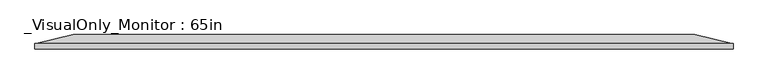
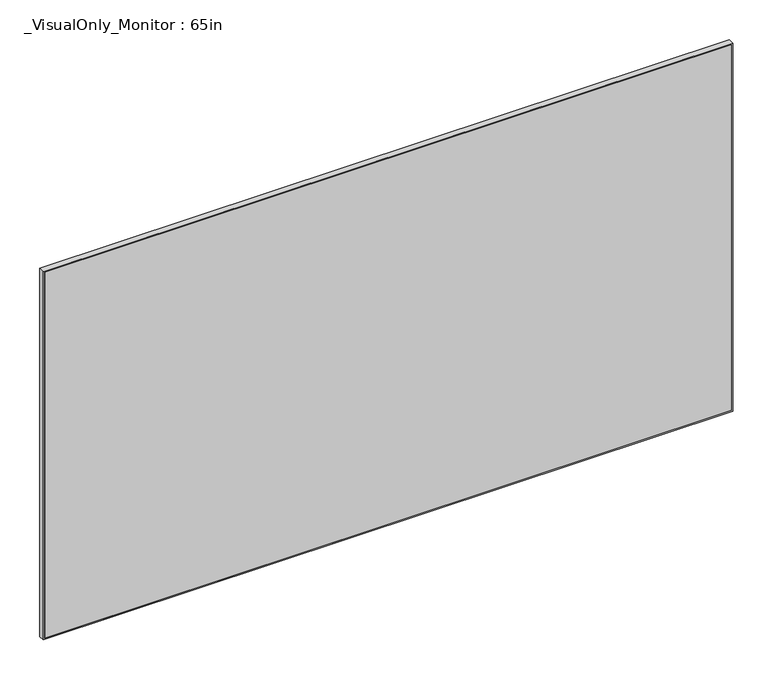
"""IFC4 building model written with IfcOpenShell, lengths in millimetres: furniture geometry, _VisualOnly_Monitor : 65in."""

from ifc_helpers import new_model, si_unit, frame, origin, place, context, project, spatial, polyline, outline, extrude, faceted_brep, source, transform, mapped, element, save


def visualonly_monitor_65in_436f7eda(model_context):
    return source(origin(), model_context, "Body", "SolidModel", [
        extrude(outline(polyline([(-719.4856059, -116.586), (719.4856059, -116.586), (719.4856059, -128.778), (-719.4856059, -128.778), (-719.4856059, -116.586)])), frame((0.0, 0.0, 1195.4893467), z_axis=(0.0, 0.0, 1.0), x_axis=(1.0, 0.0, 0.0)), (0.0, 0.0, 1.0), 809.4213066),
        faceted_brep([(719.4856059, -128.778, 2004.9106533), (719.4856059, -116.586, 2004.9106533), (719.4856059, -116.586, 1195.4893467), (719.4856059, -128.778, 1195.4893467), (-719.4856059, -116.586, 1195.4893467), (-719.4856059, -128.778, 1195.4893467), (-719.4856059, -116.586, 2004.9106533), (-719.4856059, -128.778, 2004.9106533), (722.4856059, -116.586, 1192.4893467), (-722.4856059, -116.586, 1192.4893467), (-722.4856059, -116.586, 2007.9106533), (722.4856059, -116.586, 2007.9106533), (719.4856059, -116.586, 1195.4893467), (719.4856059, -116.586, 2004.9106533), (-719.4856059, -116.586, 2004.9106533), (-719.4856059, -116.586, 1195.4893467), (722.4856059, -128.778, 2007.9106533), (-722.4856059, -128.778, 2007.9106533), (-722.4856059, -128.778, 1192.4893467), (722.4856059, -128.778, 1192.4893467), (643.2856059, -98.806, 1954.1106533), (643.2856059, -98.806, 1246.2893467), (-643.2856059, -98.806, 1246.2893467), (-643.2856059, -98.806, 1954.1106533)], [[[0, 1, 2, 3]], [[3, 2, 4, 5]], [[5, 4, 6, 7]], [[8, 9, 10, 11], [12, 13, 14, 15]], [[1, 0, 7, 6]], [[16, 17, 18, 19], [0, 3, 5, 7]], [[8, 11, 16, 19]], [[9, 8, 19, 18]], [[10, 9, 18, 17]], [[11, 10, 17, 16]], [[2, 1, 6, 4]], [[20, 21, 22, 23]], [[21, 20, 13, 12]], [[22, 21, 12, 15]], [[23, 22, 15, 14]], [[20, 23, 14, 13]]]),
    ])


if __name__ == "__main__":
    model = new_model("IFC4")
    model_context = context("Model", 3, world=origin())
    ifc_project = project(units=[si_unit("LENGTHUNIT", "METRE", prefix="MILLI")], contexts=[model_context])
    site = spatial("IfcSite", under=ifc_project)
    building = spatial("IfcBuilding", under=site)
    placement = place(None, origin())
    visualonly_monitor_65in_shape = visualonly_monitor_65in_436f7eda(model_context)
    element("IfcFurniture", 1, ObjectType="_VisualOnly_Monitor : 65in", at=placement, inside=building, context=model_context, shape_type="MappedRepresentation", body=[
        mapped(visualonly_monitor_65in_shape, transform((0.0, 0.0, 0.0), x_axis=(1.0, 0.0, 0.0), y_axis=(0.0, 1.0, 0.0), z_axis=(0.0, 0.0, 1.0))),
    ])
    save(model, "model.ifc")
